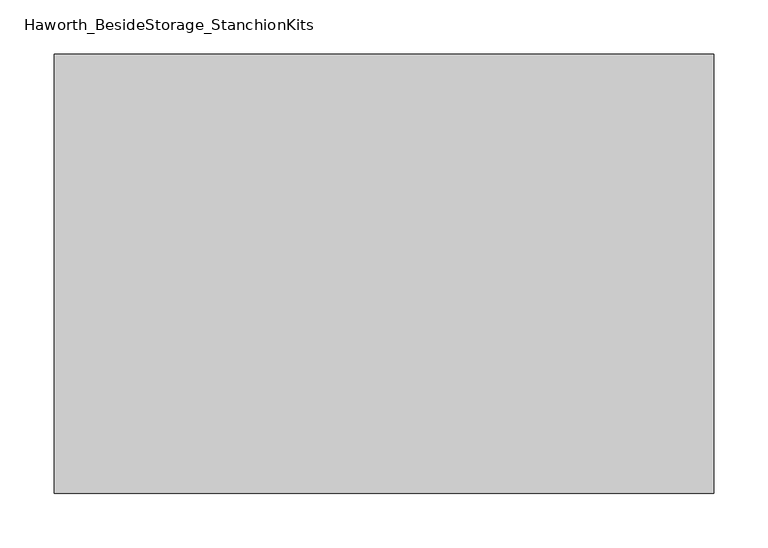
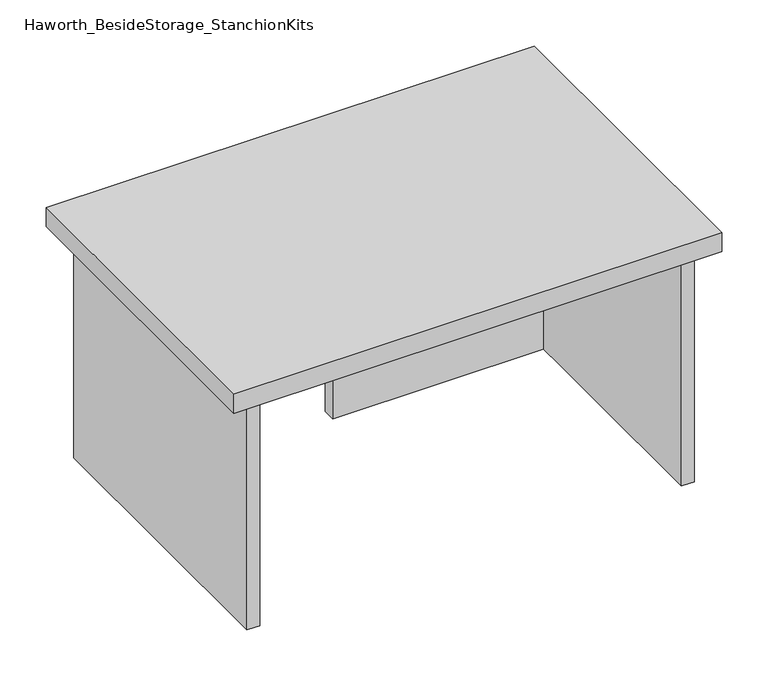
"""IFC4 building model written with IfcOpenShell, lengths in millimetres: furniture geometry, Haworth_BesideStorage_StanchionKits."""

from ifc_helpers import new_model, si_unit, frame, origin, place, context, project, spatial, polyline, outline, extrude, source, transform, mapped, element, save


def haworth_besidestorage_stanchionkits_10fbe0bb(model_context):
    return source(origin(), model_context, "Body", "SweptSolid", [
        extrude(outline(polyline([(466.725, 0.0), (466.725, -406.4), (-142.875, -406.4), (-142.875, 0.0), (466.725, 0.0)])), frame((0.0, 0.0, 736.6), z_axis=(0.0, 0.0, 1.0), x_axis=(1.0, 0.0, 0.0)), (0.0, 0.0, 1.0), 25.4),
        extrude(outline(polyline([(161.925, -76.2), (425.45, -76.2), (425.45, -92.075), (161.925, -92.075), (161.925, -76.2)])), frame((0.0, 0.0, 431.8), z_axis=(0.0, 0.0, 1.0), x_axis=(1.0, 0.0, 0.0)), (0.0, 0.0, 1.0), 304.8),
        extrude(outline(polyline([(441.325, -390.525), (425.45, -390.525), (425.45, -15.875), (441.325, -15.875), (441.325, -390.525)])), frame((0.0, 0.0, 431.8), z_axis=(0.0, 0.0, 1.0), x_axis=(1.0, 0.0, 0.0)), (0.0, 0.0, 1.0), 304.8),
        extrude(outline(polyline([(-101.6, -390.525), (-117.475, -390.525), (-117.475, -15.875), (-101.6, -15.875), (-101.6, -390.525)])), frame((0.0, 0.0, 431.8), z_axis=(0.0, 0.0, 1.0), x_axis=(1.0, 0.0, 0.0)), (0.0, 0.0, 1.0), 304.8),
    ])


if __name__ == "__main__":
    model = new_model("IFC4")
    model_context = context("Model", 3, world=origin())
    ifc_project = project(units=[si_unit("LENGTHUNIT", "METRE", prefix="MILLI")], contexts=[model_context])
    site = spatial("IfcSite", under=ifc_project)
    building = spatial("IfcBuilding", under=site)
    placement = place(None, origin())
    haworth_besidestorage_stanchionkits_shape = haworth_besidestorage_stanchionkits_10fbe0bb(model_context)
    element("IfcFurniture", 1, ObjectType="Haworth_BesideStorage_StanchionKits", at=placement, inside=building, context=model_context, shape_type="MappedRepresentation", body=[
        mapped(haworth_besidestorage_stanchionkits_shape, transform((0.0, 0.0, 0.0), x_axis=(1.0, 0.0, 0.0), y_axis=(0.0, 1.0, 0.0), z_axis=(0.0, 0.0, 1.0))),
    ])
    save(model, "model.ifc")
